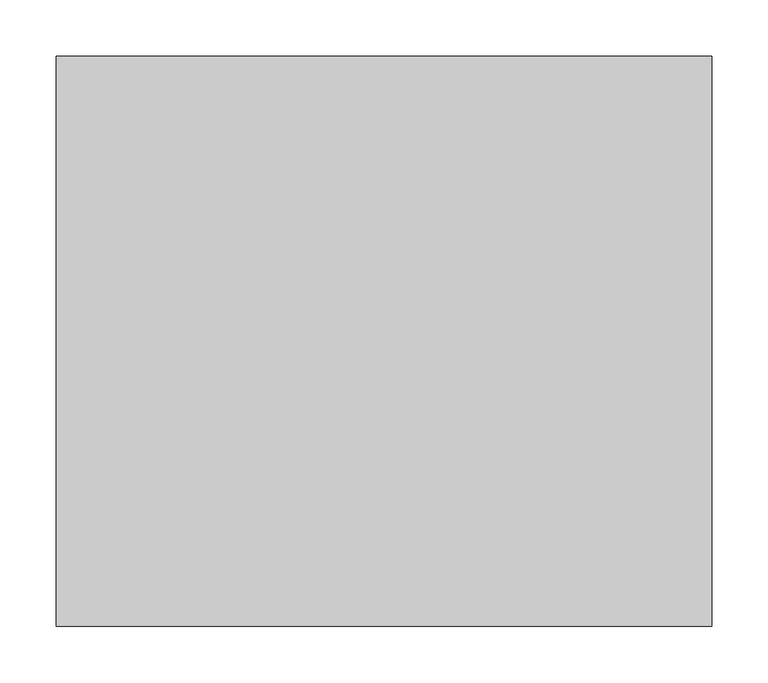
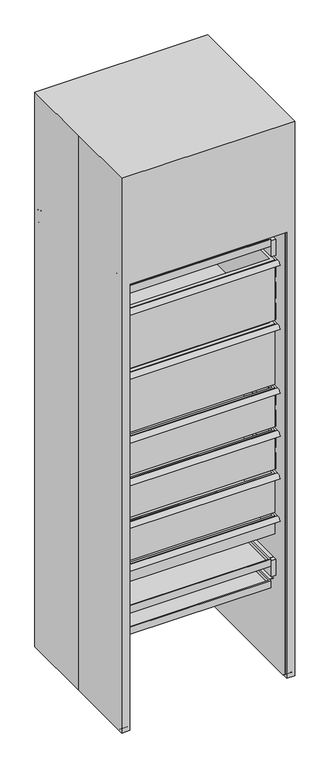
"""IFC4 building model written with IfcOpenShell, lengths in millimetres: proxy geometry."""

from ifc_helpers import new_model, si_unit, frame, origin, place, context, project, spatial, polyline, circle_curve, outline, extrude, faceted_brep, source, transform, mapped, element, save
from ifc_brep_helpers import plane_surface, cylinder_surface, revolved_surface, advanced_brep


def specialty_equipment_cc993e20(model_context):
    return source(origin(), model_context, "Body", "SolidModel", [
        faceted_brep([(-238.125, -194.46875, 311.15), (238.125, -194.46875, 311.15), (238.125, 157.65653, 311.15), (-238.125, 157.65653, 311.15), (-238.125, -194.46875, 323.85), (238.125, -194.46875, 323.85), (238.125, 157.65653, 323.85), (-238.125, 157.65653, 323.85), (242.7689646, 162.71875, 323.85), (-242.7689646, 162.71875, 323.85), (-242.7689646, -199.23125, 323.85), (242.7689646, -199.23125, 323.85), (242.7689646, 162.71875, 298.45), (242.7689646, -199.23125, 298.45), (-242.7689646, -199.23125, 298.45), (-242.7689646, 162.71875, 298.45)], [[[0, 1, 2, 3]], [[1, 0, 4, 5]], [[2, 1, 5, 6]], [[3, 2, 6, 7]], [[0, 3, 7, 4]], [[8, 9, 10, 11], [5, 4, 7, 6]], [[12, 13, 14, 15]], [[9, 8, 12, 15]], [[10, 9, 15, 14]], [[11, 10, 14, 13]], [[8, 11, 13, 12]]]),
        extrude(outline(polyline([(-242.7689646, 140.49375), (-242.7689646, -177.00625), (-263.525, -177.00625), (-263.525, 140.49375), (-242.7689646, 140.49375)])), frame((0.0, 0.0, 311.15), z_axis=(0.0, 0.0, 1.0), x_axis=(1.0, 0.0, 0.0)), (0.0, 0.0, 1.0), 1.6002),
        extrude(outline(polyline([(242.7689646, 140.49375), (263.525, 140.49375), (263.525, -177.00625), (242.7689646, -177.00625), (242.7689646, 140.49375)])), frame((0.0, 0.0, 311.15), z_axis=(0.0, 0.0, 1.0), x_axis=(1.0, 0.0, 0.0)), (0.0, 0.0, 1.0), 1.6002),
        extrude(outline(polyline([(-249.2375, -191.29375), (-265.1125, -191.29375), (-265.1125, 191.29375), (-249.2375, 191.29375), (-249.2375, -191.29375)])), frame((0.0, 0.0, 329.9968), z_axis=(0.0, 0.0, 1.0), x_axis=(1.0, 0.0, 0.0)), (0.0, 0.0, 1.0), 57.3532),
        extrude(outline(polyline([(265.1125, -191.29375), (249.2375, -191.29375), (249.2375, 191.29375), (265.1125, 191.29375), (265.1125, -191.29375)])), frame((0.0, 0.0, 329.9968), z_axis=(0.0, 0.0, 1.0), x_axis=(1.0, 0.0, 0.0)), (0.0, 0.0, 1.0), 57.3532),
        faceted_brep([(-238.125, -194.46875, 387.35), (238.125, -194.46875, 387.35), (238.125, 157.65653, 387.35), (-238.125, 157.65653, 387.35), (-238.125, -194.46875, 400.05), (238.125, -194.46875, 400.05), (238.125, 157.65653, 400.05), (-238.125, 157.65653, 400.05), (242.7689646, 162.71875, 400.05), (-242.7689646, 162.71875, 400.05), (-242.7689646, -199.23125, 400.05), (242.7689646, -199.23125, 400.05), (242.7689646, 162.71875, 374.65), (242.7689646, -199.23125, 374.65), (-242.7689646, -199.23125, 374.65), (-242.7689646, 162.71875, 374.65)], [[[0, 1, 2, 3]], [[1, 0, 4, 5]], [[2, 1, 5, 6]], [[3, 2, 6, 7]], [[0, 3, 7, 4]], [[8, 9, 10, 11], [5, 4, 7, 6]], [[12, 13, 14, 15]], [[9, 8, 12, 15]], [[10, 9, 15, 14]], [[11, 10, 14, 13]], [[8, 11, 13, 12]]]),
        extrude(outline(polyline([(-242.7689646, 140.49375), (-242.7689646, -177.00625), (-263.525, -177.00625), (-263.525, 140.49375), (-242.7689646, 140.49375)])), frame((0.0, 0.0, 387.35), z_axis=(0.0, 0.0, 1.0), x_axis=(1.0, 0.0, 0.0)), (0.0, 0.0, 1.0), 1.6002),
        extrude(outline(polyline([(242.7689646, 140.49375), (263.525, 140.49375), (263.525, -177.00625), (242.7689646, -177.00625), (242.7689646, 140.49375)])), frame((0.0, 0.0, 387.35), z_axis=(0.0, 0.0, 1.0), x_axis=(1.0, 0.0, 0.0)), (0.0, 0.0, 1.0), 1.6002),
        extrude(outline(polyline([(-249.2375, -191.29375), (-265.1125, -191.29375), (-265.1125, 191.29375), (-249.2375, 191.29375), (-249.2375, -191.29375)])), frame((0.0, 0.0, 1472.9968), z_axis=(0.0, 0.0, 1.0), x_axis=(1.0, 0.0, 0.0)), (0.0, 0.0, 1.0), 57.3532),
        extrude(outline(polyline([(265.1125, -191.29375), (249.2375, -191.29375), (249.2375, 191.29375), (265.1125, 191.29375), (265.1125, -191.29375)])), frame((0.0, 0.0, 1472.9968), z_axis=(0.0, 0.0, 1.0), x_axis=(1.0, 0.0, 0.0)), (0.0, 0.0, 1.0), 57.3532),
        faceted_brep([(-250.825, 159.54375, 576.4625955), (250.825, 159.54375, 576.4625955), (250.825, 159.54375, 703.2498), (-250.825, 159.54375, 703.2498), (-250.825, -192.88125, 576.4625955), (-250.825, -192.88125, 703.2498), (250.825, -192.88125, 576.4625955), (250.825, -192.88125, 703.2498), (257.175, 165.89375, 703.2498), (-257.175, 165.89375, 703.2498), (-257.175, -199.23125, 703.2498), (257.175, -199.23125, 703.2498), (257.175, 165.89375, 563.7625955), (257.175, -199.23125, 563.7625955), (-257.175, -199.23125, 563.7625955), (-257.175, 165.89375, 563.7625955)], [[[0, 1, 2, 3]], [[4, 0, 3, 5]], [[6, 4, 5, 7]], [[1, 6, 7, 2]], [[8, 9, 10, 11], [3, 2, 7, 5]], [[12, 13, 14, 15]], [[9, 8, 12, 15]], [[10, 9, 15, 14]], [[11, 10, 14, 13]], [[8, 11, 13, 12]], [[1, 0, 4, 6]]]),
        advanced_brep(
        [(263.525, -218.28125, 692.15), (263.525, -214.8468101, 692.15), (263.525, -203.4902315, 700.0319341), (263.525, -199.23125, 700.0319341), (263.525, -199.23125, 692.15), (263.525, 172.24375, 692.15), (263.525, 172.24375, 703.2498), (263.525, -202.40625, 703.2498), (-263.525, -218.28125, 692.15), (-263.525, -202.40625, 703.2498), (-263.525, 172.24375, 703.2498), (-263.525, 172.24375, 692.15), (-263.525, -199.23125, 692.15), (-263.525, -199.23125, 700.0319341), (-263.525, -203.4902315, 700.0319341), (-263.525, -214.8468101, 692.15), (250.825, 159.54375, 692.15), (-250.825, 159.54375, 692.15), (-250.825, -192.88125, 692.15), (250.825, -192.88125, 692.15), (-250.825, 159.54375, 703.2498), (250.825, 159.54375, 703.2498), (250.825, -192.88125, 703.2498), (-250.825, -192.88125, 703.2498)],
        [
            (0, 1),
            (1, 2, circle_curve(frame((263.525, -202.40625, 686.3476403), z_axis=(-1.0, 0.0, 0.0), x_axis=(0.0, 1.0, 0.0)), 13.7271597)),
            (2, 3),
            (3, 4),
            (4, 5),
            (5, 6),
            (6, 7),
            (7, 0, circle_curve(frame((263.525, -202.40625, 686.3476403), z_axis=(1.0, 0.0, 0.0), x_axis=(0.0, 1.0, 0.0)), 16.9021597)),
            (8, 9, circle_curve(frame((-263.525, -202.40625, 686.3476403), z_axis=(-1.0, 0.0, 0.0), x_axis=(0.0, 1.0, 0.0)), 16.9021597)),
            (9, 10),
            (10, 11),
            (11, 12),
            (12, 13),
            (13, 14),
            (14, 15, circle_curve(frame((-263.525, -202.40625, 686.3476403), z_axis=(1.0, 0.0, 0.0), x_axis=(0.0, 1.0, 0.0)), 13.7271597)),
            (15, 8),
            (0, 8),
            (15, 1),
            (14, 2),
            (13, 3),
            (12, 4),
            (11, 5),
            (16, 17),
            (17, 18),
            (18, 19),
            (19, 16),
            (10, 6),
            (9, 7),
            (20, 21),
            (21, 22),
            (22, 23),
            (23, 20),
            (16, 21),
            (20, 17),
            (23, 18),
            (22, 19),
        ],
        [
            plane_surface(frame((263.525, -218.28125, 692.15), z_axis=(1.0, 0.0, 0.0), x_axis=(0.0, 1.0, 5.8329866029220925e-12))),
            plane_surface(frame((-263.525, -218.28125, 692.15), z_axis=(-1.0, 0.0, 0.0), x_axis=(0.0, -1.0, -5.8329866029220925e-12))),
            plane_surface(frame((263.525, -218.28125, 692.15), z_axis=(0.0, 5.8329866029220925e-12, -1.0), x_axis=(-1.0, 0.0, 0.0))),
            revolved_surface(polyline([(-263.525, -188.6790903, 686.3476403), (263.525, -188.6790903, 686.3476403)]), (-263.525, -202.40625, 686.3476403), (-1.0, 0.0, 0.0)),
            plane_surface(frame((263.525, -203.4902315, 700.0319341), z_axis=(0.0, 3.591351174028165e-12, -1.0), x_axis=(-1.0, 0.0, 0.0))),
            plane_surface(frame((263.525, -199.23125, 700.0319341), z_axis=(0.0, -1.0, 0.0), x_axis=(-1.0, 0.0, 0.0))),
            plane_surface(frame((263.525, -199.23125, 692.15), z_axis=(0.0, 0.0, -1.0), x_axis=(-1.0, 0.0, 0.0))),
            plane_surface(frame((263.525, 172.24375, 692.15), z_axis=(0.0, 1.0, 0.0), x_axis=(-1.0, 0.0, 0.0))),
            plane_surface(frame((263.525, 172.24375, 703.2498), z_axis=(0.0, 0.0, 1.0), x_axis=(-1.0, 0.0, 0.0))),
            cylinder_surface(frame((-263.525, -202.40625, 686.3476403), z_axis=(1.0, 0.0, 0.0), x_axis=(0.0, 1.0, 0.0)), 16.9021597),
            plane_surface(frame((250.825, 159.54375, 703.2498), z_axis=(0.0, -1.0, 0.0), x_axis=(0.0, 0.0, -1.0))),
            plane_surface(frame((-250.825, 159.54375, 703.2498), z_axis=(1.0, 0.0, 0.0), x_axis=(0.0, 0.0, -1.0))),
            plane_surface(frame((-250.825, -192.88125, 703.2498), z_axis=(0.0, 1.0, 0.0), x_axis=(0.0, 0.0, -1.0))),
            plane_surface(frame((250.825, -192.88125, 703.2498), z_axis=(-1.0, 0.0, 0.0), x_axis=(0.0, 0.0, -1.0))),
        ],
        [
            (0, [[1, 2, 3, 4, 5, 6, 7, 8]]),
            (1, [[9, 10, 11, 12, 13, 14, 15, 16]]),
            (2, [[-1, 17, -16, 18]]),
            (3, [[-2, -18, -15, 19]]),
            (4, [[-3, -19, -14, 20]]),
            (5, [[-4, -20, -13, 21]]),
            (6, [[-5, -21, -12, 22], [23, 24, 25, 26]]),
            (7, [[-6, -22, -11, 27]]),
            (8, [[-7, -27, -10, 28], [29, 30, 31, 32]]),
            (9, [[-8, -28, -9, -17]]),
            (10, [[33, -29, 34, -23]]),
            (11, [[-34, -32, 35, -24]]),
            (12, [[-35, -31, 36, -25]]),
            (13, [[-33, -26, -36, -30]]),
        ],
    ),
        extrude(outline(polyline([(-249.2375, -191.29375), (-265.1125, -191.29375), (-265.1125, 191.29375), (-249.2375, 191.29375), (-249.2375, -191.29375)])), frame((0.0, 0.0, 710.9968), z_axis=(0.0, 0.0, 1.0), x_axis=(1.0, 0.0, 0.0)), (0.0, 0.0, 1.0), 57.3532),
        extrude(outline(polyline([(265.1125, -191.29375), (249.2375, -191.29375), (249.2375, 191.29375), (265.1125, 191.29375), (265.1125, -191.29375)])), frame((0.0, 0.0, 710.9968), z_axis=(0.0, 0.0, 1.0), x_axis=(1.0, 0.0, 0.0)), (0.0, 0.0, 1.0), 57.3532),
        extrude(outline(polyline([(-249.2375, -191.29375), (-265.1125, -191.29375), (-265.1125, 191.29375), (-249.2375, 191.29375), (-249.2375, -191.29375)])), frame((0.0, 0.0, 787.1968), z_axis=(0.0, 0.0, 1.0), x_axis=(1.0, 0.0, 0.0)), (0.0, 0.0, 1.0), 57.3532),
        extrude(outline(polyline([(265.1125, -191.29375), (249.2375, -191.29375), (249.2375, 191.29375), (265.1125, 191.29375), (265.1125, -191.29375)])), frame((0.0, 0.0, 787.1968), z_axis=(0.0, 0.0, 1.0), x_axis=(1.0, 0.0, 0.0)), (0.0, 0.0, 1.0), 57.3532),
        faceted_brep([(-250.825, 159.54375, 728.8625955), (250.825, 159.54375, 728.8625955), (250.825, 159.54375, 855.6498), (-250.825, 159.54375, 855.6498), (-250.825, -192.88125, 728.8625955), (-250.825, -192.88125, 855.6498), (250.825, -192.88125, 728.8625955), (250.825, -192.88125, 855.6498), (257.175, 165.89375, 855.6498), (-257.175, 165.89375, 855.6498), (-257.175, -199.23125, 855.6498), (257.175, -199.23125, 855.6498), (257.175, 165.89375, 716.1625955), (257.175, -199.23125, 716.1625955), (-257.175, -199.23125, 716.1625955), (-257.175, 165.89375, 716.1625955)], [[[0, 1, 2, 3]], [[4, 0, 3, 5]], [[6, 4, 5, 7]], [[1, 6, 7, 2]], [[8, 9, 10, 11], [3, 2, 7, 5]], [[12, 13, 14, 15]], [[9, 8, 12, 15]], [[10, 9, 15, 14]], [[11, 10, 14, 13]], [[8, 11, 13, 12]], [[1, 0, 4, 6]]]),
        advanced_brep(
        [(263.525, -218.28125, 844.55), (263.525, -214.8468101, 844.55), (263.525, -203.4902315, 852.4319341), (263.525, -199.23125, 852.4319341), (263.525, -199.23125, 844.55), (263.525, 172.24375, 844.55), (263.525, 172.24375, 855.6498), (263.525, -202.40625, 855.6498), (-263.525, -218.28125, 844.55), (-263.525, -202.40625, 855.6498), (-263.525, 172.24375, 855.6498), (-263.525, 172.24375, 844.55), (-263.525, -199.23125, 844.55), (-263.525, -199.23125, 852.4319341), (-263.525, -203.4902315, 852.4319341), (-263.525, -214.8468101, 844.55), (250.825, 159.54375, 844.55), (-250.825, 159.54375, 844.55), (-250.825, -192.88125, 844.55), (250.825, -192.88125, 844.55), (-250.825, 159.54375, 855.6498), (250.825, 159.54375, 855.6498), (250.825, -192.88125, 855.6498), (-250.825, -192.88125, 855.6498)],
        [
            (0, 1),
            (1, 2, circle_curve(frame((263.525, -202.40625, 838.7476403), z_axis=(-1.0, 0.0, 0.0), x_axis=(0.0, 1.0, 0.0)), 13.7271597)),
            (2, 3),
            (3, 4),
            (4, 5),
            (5, 6),
            (6, 7),
            (7, 0, circle_curve(frame((263.525, -202.40625, 838.7476403), z_axis=(1.0, 0.0, 0.0), x_axis=(0.0, 1.0, 0.0)), 16.9021597)),
            (8, 9, circle_curve(frame((-263.525, -202.40625, 838.7476403), z_axis=(-1.0, 0.0, 0.0), x_axis=(0.0, 1.0, 0.0)), 16.9021597)),
            (9, 10),
            (10, 11),
            (11, 12),
            (12, 13),
            (13, 14),
            (14, 15, circle_curve(frame((-263.525, -202.40625, 838.7476403), z_axis=(1.0, 0.0, 0.0), x_axis=(0.0, 1.0, 0.0)), 13.7271597)),
            (15, 8),
            (0, 8),
            (15, 1),
            (14, 2),
            (13, 3),
            (12, 4),
            (11, 5),
            (16, 17),
            (17, 18),
            (18, 19),
            (19, 16),
            (10, 6),
            (9, 7),
            (20, 21),
            (21, 22),
            (22, 23),
            (23, 20),
            (16, 21),
            (20, 17),
            (23, 18),
            (22, 19),
        ],
        [
            plane_surface(frame((263.525, -218.28125, 844.55), z_axis=(1.0, 0.0, 0.0), x_axis=(0.0, 1.0, 5.8329866029220925e-12))),
            plane_surface(frame((-263.525, -218.28125, 844.55), z_axis=(-1.0, 0.0, 0.0), x_axis=(0.0, -1.0, -5.8329866029220925e-12))),
            plane_surface(frame((263.525, -218.28125, 844.55), z_axis=(0.0, 5.8329866029220925e-12, -1.0), x_axis=(-1.0, 0.0, 0.0))),
            revolved_surface(polyline([(-263.525, -188.6790903, 838.7476403), (263.525, -188.6790903, 838.7476403)]), (-263.525, -202.40625, 838.7476403), (-1.0, 0.0, 0.0)),
            plane_surface(frame((263.525, -203.4902315, 852.4319341), z_axis=(0.0, 3.591351174028165e-12, -1.0), x_axis=(-1.0, 0.0, 0.0))),
            plane_surface(frame((263.525, -199.23125, 852.4319341), z_axis=(0.0, -1.0, 0.0), x_axis=(-1.0, 0.0, 0.0))),
            plane_surface(frame((263.525, -199.23125, 844.55), z_axis=(0.0, 0.0, -1.0), x_axis=(-1.0, 0.0, 0.0))),
            plane_surface(frame((263.525, 172.24375, 844.55), z_axis=(0.0, 1.0, 0.0), x_axis=(-1.0, 0.0, 0.0))),
            plane_surface(frame((263.525, 172.24375, 855.6498), z_axis=(0.0, 0.0, 1.0), x_axis=(-1.0, 0.0, 0.0))),
            cylinder_surface(frame((-263.525, -202.40625, 838.7476403), z_axis=(1.0, 0.0, 0.0), x_axis=(0.0, 1.0, 0.0)), 16.9021597),
            plane_surface(frame((250.825, 159.54375, 855.6498), z_axis=(0.0, -1.0, 0.0), x_axis=(0.0, 0.0, -1.0))),
            plane_surface(frame((-250.825, 159.54375, 855.6498), z_axis=(1.0, 0.0, 0.0), x_axis=(0.0, 0.0, -1.0))),
            plane_surface(frame((-250.825, -192.88125, 855.6498), z_axis=(0.0, 1.0, 0.0), x_axis=(0.0, 0.0, -1.0))),
            plane_surface(frame((250.825, -192.88125, 855.6498), z_axis=(-1.0, 0.0, 0.0), x_axis=(0.0, 0.0, -1.0))),
        ],
        [
            (0, [[1, 2, 3, 4, 5, 6, 7, 8]]),
            (1, [[9, 10, 11, 12, 13, 14, 15, 16]]),
            (2, [[-1, 17, -16, 18]]),
            (3, [[-2, -18, -15, 19]]),
            (4, [[-3, -19, -14, 20]]),
            (5, [[-4, -20, -13, 21]]),
            (6, [[-5, -21, -12, 22], [23, 24, 25, 26]]),
            (7, [[-6, -22, -11, 27]]),
            (8, [[-7, -27, -10, 28], [29, 30, 31, 32]]),
            (9, [[-8, -28, -9, -17]]),
            (10, [[33, -29, 34, -23]]),
            (11, [[-34, -32, 35, -24]]),
            (12, [[-35, -31, 36, -25]]),
            (13, [[-33, -26, -36, -30]]),
        ],
    ),
        extrude(outline(polyline([(-249.2375, -191.29375), (-265.1125, -191.29375), (-265.1125, 191.29375), (-249.2375, 191.29375), (-249.2375, -191.29375)])), frame((0.0, 0.0, 863.3968), z_axis=(0.0, 0.0, 1.0), x_axis=(1.0, 0.0, 0.0)), (0.0, 0.0, 1.0), 57.3532),
        extrude(outline(polyline([(265.1125, -191.29375), (249.2375, -191.29375), (249.2375, 191.29375), (265.1125, 191.29375), (265.1125, -191.29375)])), frame((0.0, 0.0, 863.3968), z_axis=(0.0, 0.0, 1.0), x_axis=(1.0, 0.0, 0.0)), (0.0, 0.0, 1.0), 57.3532),
        extrude(outline(polyline([(-249.2375, -191.29375), (-265.1125, -191.29375), (-265.1125, 191.29375), (-249.2375, 191.29375), (-249.2375, -191.29375)])), frame((0.0, 0.0, 939.5968), z_axis=(0.0, 0.0, 1.0), x_axis=(1.0, 0.0, 0.0)), (0.0, 0.0, 1.0), 57.3532),
        extrude(outline(polyline([(265.1125, -191.29375), (249.2375, -191.29375), (249.2375, 191.29375), (265.1125, 191.29375), (265.1125, -191.29375)])), frame((0.0, 0.0, 939.5968), z_axis=(0.0, 0.0, 1.0), x_axis=(1.0, 0.0, 0.0)), (0.0, 0.0, 1.0), 57.3532),
        faceted_brep([(-244.475, 153.19375, 1033.6625955), (244.475, 153.19375, 1033.6625955), (244.475, 153.19375, 1236.6498), (-244.475, 153.19375, 1236.6498), (-244.475, -186.53125, 1033.6625955), (-244.475, -186.53125, 1236.6498), (244.475, -186.53125, 1033.6625955), (244.475, -186.53125, 1236.6498), (257.175, 165.89375, 1236.6498), (-257.175, 165.89375, 1236.6498), (-257.175, -199.23125, 1236.6498), (257.175, -199.23125, 1236.6498), (257.175, 165.89375, 1020.9625955), (257.175, -199.23125, 1020.9625955), (-257.175, -199.23125, 1020.9625955), (-257.175, 165.89375, 1020.9625955)], [[[0, 1, 2, 3]], [[4, 0, 3, 5]], [[6, 4, 5, 7]], [[1, 6, 7, 2]], [[8, 9, 10, 11], [3, 2, 7, 5]], [[12, 13, 14, 15]], [[9, 8, 12, 15]], [[10, 9, 15, 14]], [[11, 10, 14, 13]], [[8, 11, 13, 12]], [[1, 0, 4, 6]]]),
        advanced_brep(
        [(263.525, -218.28125, 1225.55), (263.525, -214.8468101, 1225.55), (263.525, -203.4902315, 1233.4319341), (263.525, -199.23125, 1233.4319341), (263.525, -199.23125, 1225.55), (263.525, 172.24375, 1225.55), (263.525, 172.24375, 1236.6498), (263.525, -202.40625, 1236.6498), (-263.525, -218.28125, 1225.55), (-263.525, -202.40625, 1236.6498), (-263.525, 172.24375, 1236.6498), (-263.525, 172.24375, 1225.55), (-263.525, -199.23125, 1225.55), (-263.525, -199.23125, 1233.4319341), (-263.525, -203.4902315, 1233.4319341), (-263.525, -214.8468101, 1225.55), (244.475, 153.19375, 1225.55), (-244.475, 153.19375, 1225.55), (-244.475, -186.53125, 1225.55), (244.475, -186.53125, 1225.55), (-244.475, 153.19375, 1236.6498), (244.475, 153.19375, 1236.6498), (244.475, -186.53125, 1236.6498), (-244.475, -186.53125, 1236.6498)],
        [
            (0, 1),
            (1, 2, circle_curve(frame((263.525, -202.40625, 1219.7476403), z_axis=(-1.0, 0.0, 0.0), x_axis=(0.0, 1.0, 0.0)), 13.7271597)),
            (2, 3),
            (3, 4),
            (4, 5),
            (5, 6),
            (6, 7),
            (7, 0, circle_curve(frame((263.525, -202.40625, 1219.7476403), z_axis=(1.0, 0.0, 0.0), x_axis=(0.0, 1.0, 0.0)), 16.9021597)),
            (8, 9, circle_curve(frame((-263.525, -202.40625, 1219.7476403), z_axis=(-1.0, 0.0, 0.0), x_axis=(0.0, 1.0, 0.0)), 16.9021597)),
            (9, 10),
            (10, 11),
            (11, 12),
            (12, 13),
            (13, 14),
            (14, 15, circle_curve(frame((-263.525, -202.40625, 1219.7476403), z_axis=(1.0, 0.0, 0.0), x_axis=(0.0, 1.0, 0.0)), 13.7271597)),
            (15, 8),
            (0, 8),
            (15, 1),
            (14, 2),
            (13, 3),
            (12, 4),
            (11, 5),
            (16, 17),
            (17, 18),
            (18, 19),
            (19, 16),
            (10, 6),
            (9, 7),
            (20, 21),
            (21, 22),
            (22, 23),
            (23, 20),
            (16, 21),
            (20, 17),
            (23, 18),
            (22, 19),
        ],
        [
            plane_surface(frame((263.525, -218.28125, 1225.55), z_axis=(1.0, 0.0, 0.0), x_axis=(0.0, 1.0, 5.438865886509563e-12))),
            plane_surface(frame((-263.525, -218.28125, 1225.55), z_axis=(-1.0, 0.0, 0.0), x_axis=(0.0, -1.0, -5.438865886509563e-12))),
            plane_surface(frame((263.525, -218.28125, 1225.55), z_axis=(0.0, 5.438865886509563e-12, -1.0), x_axis=(-1.0, 0.0, 0.0))),
            revolved_surface(polyline([(-263.525, -188.6790903, 1219.7476403), (263.525, -188.6790903, 1219.7476403)]), (-263.525, -202.40625, 1219.7476403), (-1.0, 0.0, 0.0)),
            plane_surface(frame((263.525, -203.4902315, 1233.4319341), z_axis=(0.0, 3.241750617262996e-12, -1.0), x_axis=(-1.0, 0.0, 0.0))),
            plane_surface(frame((263.525, -199.23125, 1233.4319341), z_axis=(0.0, -1.0, 0.0), x_axis=(-1.0, 0.0, 0.0))),
            plane_surface(frame((263.525, -199.23125, 1225.55), z_axis=(0.0, 0.0, -1.0), x_axis=(-1.0, 0.0, 0.0))),
            plane_surface(frame((263.525, 172.24375, 1225.55), z_axis=(0.0, 1.0, 0.0), x_axis=(-1.0, 0.0, 0.0))),
            plane_surface(frame((263.525, 172.24375, 1236.6498), z_axis=(0.0, 0.0, 1.0), x_axis=(-1.0, 0.0, 0.0))),
            cylinder_surface(frame((-263.525, -202.40625, 1219.7476403), z_axis=(1.0, 0.0, 0.0), x_axis=(0.0, 1.0, 0.0)), 16.9021597),
            plane_surface(frame((244.475, 153.19375, 1236.6498), z_axis=(0.0, -1.0, 0.0), x_axis=(0.0, 0.0, -1.0))),
            plane_surface(frame((-244.475, 153.19375, 1236.6498), z_axis=(1.0, 0.0, 0.0), x_axis=(0.0, 0.0, -1.0))),
            plane_surface(frame((-244.475, -186.53125, 1236.6498), z_axis=(0.0, 1.0, 0.0), x_axis=(0.0, 0.0, -1.0))),
            plane_surface(frame((244.475, -186.53125, 1236.6498), z_axis=(-1.0, 0.0, 0.0), x_axis=(0.0, 0.0, -1.0))),
        ],
        [
            (0, [[1, 2, 3, 4, 5, 6, 7, 8]]),
            (1, [[9, 10, 11, 12, 13, 14, 15, 16]]),
            (2, [[-1, 17, -16, 18]]),
            (3, [[-2, -18, -15, 19]]),
            (4, [[-3, -19, -14, 20]]),
            (5, [[-4, -20, -13, 21]]),
            (6, [[-5, -21, -12, 22], [23, 24, 25, 26]]),
            (7, [[-6, -22, -11, 27]]),
            (8, [[-7, -27, -10, 28], [29, 30, 31, 32]]),
            (9, [[-8, -28, -9, -17]]),
            (10, [[33, -29, 34, -23]]),
            (11, [[-34, -32, 35, -24]]),
            (12, [[-35, -31, 36, -25]]),
            (13, [[-33, -26, -36, -30]]),
        ],
    ),
        extrude(outline(polyline([(-249.2375, -191.29375), (-265.1125, -191.29375), (-265.1125, 191.29375), (-249.2375, 191.29375), (-249.2375, -191.29375)])), frame((0.0, 0.0, 1244.3968), z_axis=(0.0, 0.0, 1.0), x_axis=(1.0, 0.0, 0.0)), (0.0, 0.0, 1.0), 57.3532),
        extrude(outline(polyline([(265.1125, -191.29375), (249.2375, -191.29375), (249.2375, 191.29375), (265.1125, 191.29375), (265.1125, -191.29375)])), frame((0.0, 0.0, 1244.3968), z_axis=(0.0, 0.0, 1.0), x_axis=(1.0, 0.0, 0.0)), (0.0, 0.0, 1.0), 57.3532),
        extrude(outline(polyline([(-249.2375, -191.29375), (-265.1125, -191.29375), (-265.1125, 191.29375), (-249.2375, 191.29375), (-249.2375, -191.29375)])), frame((0.0, 0.0, 1320.5968), z_axis=(0.0, 0.0, 1.0), x_axis=(1.0, 0.0, 0.0)), (0.0, 0.0, 1.0), 57.3532),
        extrude(outline(polyline([(265.1125, -191.29375), (249.2375, -191.29375), (249.2375, 191.29375), (265.1125, 191.29375), (265.1125, -191.29375)])), frame((0.0, 0.0, 1320.5968), z_axis=(0.0, 0.0, 1.0), x_axis=(1.0, 0.0, 0.0)), (0.0, 0.0, 1.0), 57.3532),
        extrude(outline(polyline([(-249.2375, -191.29375), (-265.1125, -191.29375), (-265.1125, 191.29375), (-249.2375, 191.29375), (-249.2375, -191.29375)])), frame((0.0, 0.0, 1396.7968), z_axis=(0.0, 0.0, 1.0), x_axis=(1.0, 0.0, 0.0)), (0.0, 0.0, 1.0), 57.3532),
        extrude(outline(polyline([(265.1125, -191.29375), (249.2375, -191.29375), (249.2375, 191.29375), (265.1125, 191.29375), (265.1125, -191.29375)])), frame((0.0, 0.0, 1396.7968), z_axis=(0.0, 0.0, 1.0), x_axis=(1.0, 0.0, 0.0)), (0.0, 0.0, 1.0), 57.3532),
        advanced_brep(
        [(265.1125, 191.29375, 0.0), (265.1125, 191.29375, 1593.85), (-265.1125, 191.29375, 1593.85), (-265.1125, 191.29375, 0.0), (265.1125, -227.80625, 0.0), (265.1125, -246.85625, 19.05), (265.1125, -246.85625, 1593.85), (-265.1125, -246.85625, 1593.85), (-265.1125, -246.85625, 19.05), (-265.1125, -227.80625, 0.0), (290.5125, -243.6065437, 1620.248234), (290.5125, -246.85625, 1614.9936651), (290.5125, -246.85625, 19.05), (290.5125, -227.80625, 0.0), (290.5125, 238.91875, 0.0), (290.5125, 245.26875, 6.35), (290.5125, 245.26875, 12.7), (290.5125, 238.91875, 19.05), (290.5125, 227.80625, 19.05), (290.5125, 216.69375, 30.1625), (290.5125, 216.69375, 1521.9782764), (290.5125, 235.74375, 1521.9782764), (290.5125, 243.7524573, 1521.9782764), (290.5125, 245.26875, 1533.525), (290.5125, 245.26875, 1558.925), (290.5125, 235.74375, 1571.9168165), (290.5125, 222.9642869, 1576.5681607), (290.5125, 216.69375, 1584.3499764), (290.5125, 216.69375, 1663.4948907), (290.5125, 191.29375, 1688.8948869), (-290.5125, -243.6065437, 1620.248234), (-290.5125, 191.29375, 1688.8948869), (-290.5125, 216.6937462, 1663.4948907), (-290.5125, 216.69375, 1584.3499764), (-290.5125, 222.9642869, 1576.5681607), (-290.5125, 235.74375, 1571.9168165), (-290.5125, 245.26875, 1558.925), (-290.5125, 245.26875, 1533.525), (-290.5125, 243.7524573, 1521.9782764), (-290.5125, 235.74375, 1521.9782764), (-290.5125, 216.69375, 1521.9782764), (-290.5125, 216.69375, 30.1625), (-290.5125, 227.80625, 19.05), (-290.5125, 238.91875, 19.05), (-290.5125, 245.26875, 12.7), (-290.5125, 245.26875, 6.35), (-290.5125, 238.91875, 0.0), (-290.5125, -227.80625, 0.0), (-290.5125, -246.85625, 19.05), (-290.5125, -246.85625, 1614.9936651)],
        [
            (0, 1),
            (1, 2),
            (2, 3),
            (3, 0),
            (0, 4),
            (4, 5, circle_curve(frame((265.1125, -227.80625, 19.05), z_axis=(-1.0, 0.0, 0.0), x_axis=(0.0, 1.0, 0.0)), 19.05)),
            (5, 6),
            (6, 1),
            (6, 7),
            (7, 2),
            (7, 8),
            (8, 9, circle_curve(frame((-265.1125, -227.80625, 19.05), z_axis=(1.0, 0.0, 0.0), x_axis=(0.0, 1.0, 0.0)), 19.05)),
            (9, 3),
            (10, 11, circle_curve(frame((290.5125, -240.9832445, 1614.9936651), z_axis=(1.0, 0.0, 0.0), x_axis=(0.0, 1.0, 0.0)), 5.8730055)),
            (11, 12),
            (12, 13, circle_curve(frame((290.5125, -227.80625, 19.05), z_axis=(1.0, 0.0, 0.0), x_axis=(0.0, 1.0, 0.0)), 19.05)),
            (13, 14),
            (14, 15, circle_curve(frame((290.5125, 238.91875, 6.35), z_axis=(1.0, 0.0, 0.0), x_axis=(0.0, 1.0, 0.0)), 6.35)),
            (15, 16),
            (16, 17, circle_curve(frame((290.5125, 238.91875, 12.7), z_axis=(1.0, 0.0, 0.0), x_axis=(0.0, 1.0, 0.0)), 6.35)),
            (17, 18),
            (18, 19, circle_curve(frame((290.5125, 227.80625, 30.1625), z_axis=(-1.0, 0.0, 0.0), x_axis=(0.0, 1.0, 0.0)), 11.1125)),
            (19, 20),
            (20, 21, circle_curve(frame((290.5125, 226.21875, 1521.9782764), z_axis=(-1.0, 0.0, 0.0), x_axis=(0.0, 1.0, 0.0)), 9.525)),
            (21, 22),
            (22, 23),
            (23, 24),
            (24, 25, circle_curve(frame((290.5125, 231.6460245, 1558.925), z_axis=(1.0, 0.0, 0.0), x_axis=(0.0, 1.0, 0.0)), 13.6227255)),
            (25, 26),
            (26, 27, circle_curve(frame((290.5125, 226.269298, 1585.6486043), z_axis=(-1.0, 0.0, 0.0), x_axis=(0.0, 1.0, 0.0)), 9.6632062)),
            (27, 28),
            (28, 29, circle_curve(frame((290.5125, 191.29375, 1663.4948907), z_axis=(1.0, 0.0, 0.0), x_axis=(0.0, 1.0, 0.0)), 25.3999962)),
            (29, 10, circle_curve(frame((290.5125, 216.6937462, 116.0318932), z_axis=(1.0, 0.0, 0.0), x_axis=(0.0, 1.0, 0.0)), 1573.0680712)),
            (30, 31, circle_curve(frame((-290.5125, 216.6937462, 116.0318932), z_axis=(-1.0, 0.0, 0.0), x_axis=(0.0, 1.0, 0.0)), 1573.0680712)),
            (31, 32, circle_curve(frame((-290.5125, 191.29375, 1663.4948907), z_axis=(-1.0, 0.0, 0.0), x_axis=(0.0, 1.0, 0.0)), 25.3999962)),
            (32, 33),
            (33, 34, circle_curve(frame((-290.5125, 226.269298, 1585.6486043), z_axis=(1.0, 0.0, 0.0), x_axis=(0.0, 1.0, 0.0)), 9.6632062)),
            (34, 35),
            (35, 36, circle_curve(frame((-290.5125, 231.6460245, 1558.925), z_axis=(-1.0, 0.0, 0.0), x_axis=(0.0, 1.0, 0.0)), 13.6227255)),
            (36, 37),
            (37, 38),
            (38, 39),
            (39, 40, circle_curve(frame((-290.5125, 226.21875, 1521.9782764), z_axis=(1.0, 0.0, 0.0), x_axis=(0.0, 1.0, 0.0)), 9.525)),
            (40, 41),
            (41, 42, circle_curve(frame((-290.5125, 227.80625, 30.1625), z_axis=(1.0, 0.0, 0.0), x_axis=(0.0, 1.0, 0.0)), 11.1125)),
            (42, 43),
            (43, 44, circle_curve(frame((-290.5125, 238.91875, 12.7), z_axis=(-1.0, 0.0, 0.0), x_axis=(0.0, 1.0, 0.0)), 6.35)),
            (44, 45),
            (45, 46, circle_curve(frame((-290.5125, 238.91875, 6.35), z_axis=(-1.0, 0.0, 0.0), x_axis=(0.0, 1.0, 0.0)), 6.35)),
            (46, 47),
            (47, 48, circle_curve(frame((-290.5125, -227.80625, 19.05), z_axis=(-1.0, 0.0, 0.0), x_axis=(0.0, 1.0, 0.0)), 19.05)),
            (48, 49),
            (49, 30, circle_curve(frame((-290.5125, -240.9832445, 1614.9936651), z_axis=(-1.0, 0.0, 0.0), x_axis=(0.0, 1.0, 0.0)), 5.8730055)),
            (10, 30),
            (49, 11),
            (48, 8),
            (5, 12),
            (4, 13),
            (47, 9),
            (46, 14),
            (45, 15),
            (44, 16),
            (43, 17),
            (42, 18),
            (41, 19),
            (40, 20),
            (39, 21),
            (38, 22),
            (37, 23),
            (36, 24),
            (35, 25),
            (34, 26),
            (33, 27),
            (32, 28),
            (31, 29),
        ],
        [
            plane_surface(frame((265.1125, 191.29375, 0.0), z_axis=(0.0, -1.0, 0.0), x_axis=(0.0, 0.0, -1.0))),
            plane_surface(frame((265.1125, -254.0, 0.0), z_axis=(-1.0, 0.0, 0.0), x_axis=(0.0, 1.0, 0.0))),
            plane_surface(frame((265.1125, -254.0, 1593.85), z_axis=(0.0, 0.0, -1.0), x_axis=(0.0, 1.0, 0.0))),
            plane_surface(frame((-265.1125, -254.0, 1593.85), z_axis=(1.0, 0.0, 0.0), x_axis=(0.0, 1.0, 0.0))),
            plane_surface(frame((290.5125, -235.1102391, 1614.9936651), z_axis=(1.0, 0.0, 0.0), x_axis=(0.0, 0.0, 1.0))),
            plane_surface(frame((-290.5125, -235.1102391, 1614.9936651), z_axis=(-1.0, 0.0, 0.0), x_axis=(0.0, 0.0, -1.0))),
            cylinder_surface(frame((-290.5125, -240.9832445, 1614.9936651), z_axis=(1.0, 0.0, 0.0), x_axis=(0.0, 1.0, 0.0)), 5.8730055),
            plane_surface(frame((290.5125, -246.85625, 1614.9936651), z_axis=(0.0, -1.0, 0.0), x_axis=(-1.0, 0.0, 0.0))),
            cylinder_surface(frame((-290.5125, -227.80625, 19.05), z_axis=(1.0, 0.0, 0.0), x_axis=(0.0, 1.0, 0.0)), 19.05),
            plane_surface(frame((290.5125, -227.80625, 0.0), z_axis=(0.0, 0.0, -1.0), x_axis=(-1.0, 0.0, 0.0))),
            cylinder_surface(frame((-290.5125, 238.91875, 6.35), z_axis=(1.0, 0.0, 0.0), x_axis=(0.0, 1.0, 0.0)), 6.35),
            plane_surface(frame((290.5125, 245.26875, 6.35), z_axis=(0.0, 1.0, 0.0), x_axis=(-1.0, 0.0, 0.0))),
            cylinder_surface(frame((-290.5125, 238.91875, 12.7), z_axis=(1.0, 0.0, 0.0), x_axis=(0.0, 1.0, 0.0)), 6.35),
            plane_surface(frame((290.5125, 238.91875, 19.05), z_axis=(0.0, 0.0, 1.0), x_axis=(-1.0, 0.0, 0.0))),
            revolved_surface(polyline([(-290.5125, 238.91875000000002, 30.1625), (290.5125, 238.91875000000002, 30.1625)]), (-290.5125, 227.80625, 30.1625), (-1.0, 0.0, 0.0)),
            plane_surface(frame((290.5125, 216.69375, 30.1625), z_axis=(0.0, 1.0, 0.0), x_axis=(-1.0, 0.0, 0.0))),
            revolved_surface(polyline([(-290.5125, 235.74375, 1521.9782764), (290.5125, 235.74375, 1521.9782764)]), (-290.5125, 226.21875, 1521.9782764), (-1.0, 0.0, 0.0)),
            plane_surface(frame((290.5125, 235.74375, 1521.9782764), z_axis=(0.0, 0.0, -1.0), x_axis=(-1.0, 0.0, 0.0))),
            plane_surface(frame((290.5125, 243.7524573, 1521.9782764), z_axis=(0.0, 0.9914877261214967, -0.13020018798152322), x_axis=(-1.0, 0.0, 0.0))),
            plane_surface(frame((290.5125, 245.26875, 1533.525), z_axis=(0.0, 1.0, 0.0), x_axis=(-1.0, 0.0, 0.0))),
            cylinder_surface(frame((-290.5125, 231.6460245, 1558.925), z_axis=(1.0, 0.0, 0.0), x_axis=(0.0, 1.0, 0.0)), 13.6227255),
            plane_surface(frame((290.5125, 235.74375, 1571.9168165), z_axis=(0.0, 0.3420201433259577, 0.9396926207858032), x_axis=(-1.0, 0.0, 0.0))),
            revolved_surface(polyline([(-290.5125, 235.93250419999998, 1585.6486043), (290.5125, 235.93250419999998, 1585.6486043)]), (-290.5125, 226.269298, 1585.6486043), (-1.0, 0.0, 0.0)),
            plane_surface(frame((290.5125, 216.69375, 1584.3499764), z_axis=(0.0, 1.0, 0.0), x_axis=(-1.0, 0.0, 0.0))),
            cylinder_surface(frame((-290.5125, 191.29375, 1663.4948907), z_axis=(1.0, 0.0, 0.0), x_axis=(0.0, 1.0, 0.0)), 25.3999962),
            cylinder_surface(frame((-290.5125, 216.6937462, 116.0318932), z_axis=(1.0, 0.0, 0.0), x_axis=(0.0, 1.0, 0.0)), 1573.0680712),
        ],
        [
            (0, [[1, 2, 3, 4]]),
            (1, [[-1, 5, 6, 7, 8]]),
            (2, [[-2, -8, 9, 10]]),
            (3, [[-3, -10, 11, 12, 13]]),
            (4, [[14, 15, 16, 17, 18, 19, 20, 21, 22, 23, 24, 25, 26, 27, 28, 29, 30, 31, 32, 33]]),
            (5, [[34, 35, 36, 37, 38, 39, 40, 41, 42, 43, 44, 45, 46, 47, 48, 49, 50, 51, 52, 53]]),
            (6, [[-14, 54, -53, 55]]),
            (7, [[-15, -55, -52, 56, -11, -9, -7, 57]]),
            (8, [[-16, -57, -6, 58]]),
            (8, [[-51, 59, -12, -56]]),
            (9, [[-17, -58, -5, -4, -13, -59, -50, 60]]),
            (10, [[-18, -60, -49, 61]]),
            (11, [[-19, -61, -48, 62]]),
            (12, [[-20, -62, -47, 63]]),
            (13, [[-21, -63, -46, 64]]),
            (14, [[-22, -64, -45, 65]]),
            (15, [[-23, -65, -44, 66]]),
            (16, [[-24, -66, -43, 67]]),
            (17, [[-25, -67, -42, 68]]),
            (18, [[-26, -68, -41, 69]]),
            (19, [[-27, -69, -40, 70]]),
            (20, [[-28, -70, -39, 71]]),
            (21, [[-29, -71, -38, 72]]),
            (22, [[-30, -72, -37, 73]]),
            (23, [[-31, -73, -36, 74]]),
            (24, [[-32, -74, -35, 75]]),
            (25, [[-33, -75, -34, -54]]),
        ],
    ),
        faceted_brep([(-292.1, 254.0, 1981.2), (-292.1, 0.0, 1981.2), (-292.1, -254.0, 1981.2), (292.1, -254.0, 1981.2), (292.1, 254.0, 1981.2), (-292.1, 254.0, 0.0), (292.1, 254.0, 0.0), (292.1, -254.0, 0.0), (265.1125, -254.0, 0.0), (265.1125, 191.29375, 0.0), (-265.1125, 191.29375, 0.0), (-265.1125, -254.0, 0.0), (-292.1, -254.0, 0.0), (-292.1, 0.0, 0.0), (-265.1125, -254.0, 1593.85), (265.1125, -254.0, 1593.85), (265.1125, 191.29375, 1593.85), (-265.1125, 191.29375, 1593.85)], [[[0, 1, 2, 3, 4]], [[5, 6, 7, 8, 9, 10, 11, 12, 13]], [[1, 0, 5, 13]], [[2, 1, 13, 12]], [[3, 2, 12, 11, 14, 15, 8, 7]], [[4, 3, 7, 6]], [[0, 4, 6, 5]], [[9, 16, 17, 10]], [[16, 9, 8, 15]], [[17, 16, 15, 14]], [[10, 17, 14, 11]]]),
        faceted_brep([(-250.825, 159.54375, 499.9009719), (250.825, 159.54375, 499.9009719), (250.825, 159.54375, 550.8498), (-250.825, 159.54375, 550.8498), (-250.825, -192.88125, 499.9009719), (-250.825, -192.88125, 550.8498), (250.825, -192.88125, 499.9009719), (250.825, -192.88125, 550.8498), (257.175, 165.89375, 550.8498), (-257.175, 165.89375, 550.8498), (-257.175, -199.23125, 550.8498), (257.175, -199.23125, 550.8498), (257.175, 165.89375, 487.2009719), (257.175, -199.23125, 487.2009719), (-257.175, -199.23125, 487.2009719), (-257.175, 165.89375, 487.2009719)], [[[0, 1, 2, 3]], [[4, 0, 3, 5]], [[6, 4, 5, 7]], [[1, 6, 7, 2]], [[8, 9, 10, 11], [3, 2, 7, 5]], [[12, 13, 14, 15]], [[9, 8, 12, 15]], [[10, 9, 15, 14]], [[11, 10, 14, 13]], [[8, 11, 13, 12]], [[1, 0, 4, 6]]]),
        advanced_brep(
        [(263.525, -218.28125, 539.75), (263.525, -214.8468101, 539.75), (263.525, -203.4902315, 547.6319341), (263.525, -199.23125, 547.6319341), (263.525, -199.23125, 539.75), (263.525, 172.24375, 539.75), (263.525, 172.24375, 550.8498), (263.525, -202.40625, 550.8498), (-263.525, -218.28125, 539.75), (-263.525, -202.40625, 550.8498), (-263.525, 172.24375, 550.8498), (-263.525, 172.24375, 539.75), (-263.525, -199.23125, 539.75), (-263.525, -199.23125, 547.6319341), (-263.525, -203.4902315, 547.6319341), (-263.525, -214.8468101, 539.75), (250.825, 159.54375, 539.75), (-250.825, 159.54375, 539.75), (-250.825, -192.88125, 539.75), (250.825, -192.88125, 539.75), (-250.825, 159.54375, 550.8498), (250.825, 159.54375, 550.8498), (250.825, -192.88125, 550.8498), (-250.825, -192.88125, 550.8498)],
        [
            (0, 1),
            (1, 2, circle_curve(frame((263.525, -202.40625, 533.9476403), z_axis=(-1.0, 0.0, 0.0), x_axis=(0.0, 1.0, 0.0)), 13.7271597)),
            (2, 3),
            (3, 4),
            (4, 5),
            (5, 6),
            (6, 7),
            (7, 0, circle_curve(frame((263.525, -202.40625, 533.9476403), z_axis=(1.0, 0.0, 0.0), x_axis=(0.0, 1.0, 0.0)), 16.9021597)),
            (8, 9, circle_curve(frame((-263.525, -202.40625, 533.9476403), z_axis=(-1.0, 0.0, 0.0), x_axis=(0.0, 1.0, 0.0)), 16.9021597)),
            (9, 10),
            (10, 11),
            (11, 12),
            (12, 13),
            (13, 14),
            (14, 15, circle_curve(frame((-263.525, -202.40625, 533.9476403), z_axis=(1.0, 0.0, 0.0), x_axis=(0.0, 1.0, 0.0)), 13.7271597)),
            (15, 8),
            (0, 8),
            (15, 1),
            (14, 2),
            (13, 3),
            (12, 4),
            (11, 5),
            (16, 17),
            (17, 18),
            (18, 19),
            (19, 16),
            (10, 6),
            (9, 7),
            (20, 21),
            (21, 22),
            (22, 23),
            (23, 20),
            (16, 21),
            (20, 17),
            (23, 18),
            (22, 19),
        ],
        [
            plane_surface(frame((263.525, -218.28125, 539.75), z_axis=(1.0, 0.0, 0.0), x_axis=(0.0, 1.0, 0.0))),
            plane_surface(frame((-263.525, -218.28125, 539.75), z_axis=(-1.0, 0.0, 0.0), x_axis=(0.0, -1.0, 0.0))),
            plane_surface(frame((263.525, -218.28125, 539.75), z_axis=(0.0, 0.0, -1.0), x_axis=(-1.0, 0.0, 0.0))),
            revolved_surface(polyline([(-263.525, -188.6790903, 533.9476403), (263.525, -188.6790903, 533.9476403)]), (-263.525, -202.40625, 533.9476403), (-1.0, 0.0, 0.0)),
            plane_surface(frame((263.525, -203.4902315, 547.6319341), z_axis=(0.0, 1.7003299806239542e-12, -1.0), x_axis=(-1.0, 0.0, 0.0))),
            plane_surface(frame((263.525, -199.23125, 547.6319341), z_axis=(0.0, -1.0, 0.0), x_axis=(-1.0, 0.0, 0.0))),
            plane_surface(frame((263.525, -199.23125, 539.75), z_axis=(0.0, 0.0, -1.0), x_axis=(-1.0, 0.0, 0.0))),
            plane_surface(frame((263.525, 172.24375, 539.75), z_axis=(0.0, 1.0, 0.0), x_axis=(-1.0, 0.0, 0.0))),
            plane_surface(frame((263.525, 172.24375, 550.8498), z_axis=(0.0, 0.0, 1.0), x_axis=(-1.0, 0.0, 0.0))),
            cylinder_surface(frame((-263.525, -202.40625, 533.9476403), z_axis=(1.0, 0.0, 0.0), x_axis=(0.0, 1.0, 0.0)), 16.9021597),
            plane_surface(frame((250.825, 159.54375, 550.8498), z_axis=(0.0, -1.0, 0.0), x_axis=(0.0, 0.0, -1.0))),
            plane_surface(frame((-250.825, 159.54375, 550.8498), z_axis=(1.0, 0.0, 0.0), x_axis=(0.0, 0.0, -1.0))),
            plane_surface(frame((-250.825, -192.88125, 550.8498), z_axis=(0.0, 1.0, 0.0), x_axis=(0.0, 0.0, -1.0))),
            plane_surface(frame((250.825, -192.88125, 550.8498), z_axis=(-1.0, 0.0, 0.0), x_axis=(0.0, 0.0, -1.0))),
        ],
        [
            (0, [[1, 2, 3, 4, 5, 6, 7, 8]]),
            (1, [[9, 10, 11, 12, 13, 14, 15, 16]]),
            (2, [[-1, 17, -16, 18]]),
            (3, [[-2, -18, -15, 19]]),
            (4, [[-3, -19, -14, 20]]),
            (5, [[-4, -20, -13, 21]]),
            (6, [[-5, -21, -12, 22], [23, 24, 25, 26]]),
            (7, [[-6, -22, -11, 27]]),
            (8, [[-7, -27, -10, 28], [29, 30, 31, 32]]),
            (9, [[-8, -28, -9, -17]]),
            (10, [[33, -29, 34, -23]]),
            (11, [[-34, -32, 35, -24]]),
            (12, [[-35, -31, 36, -25]]),
            (13, [[-33, -26, -36, -30]]),
        ],
    ),
        faceted_brep([(-250.825, 159.54375, 881.2625955), (250.825, 159.54375, 881.2625955), (250.825, 159.54375, 1008.0498), (-250.825, 159.54375, 1008.0498), (-250.825, -192.88125, 881.2625955), (-250.825, -192.88125, 1008.0498), (250.825, -192.88125, 881.2625955), (250.825, -192.88125, 1008.0498), (257.175, 165.89375, 1008.0498), (-257.175, 165.89375, 1008.0498), (-257.175, -199.23125, 1008.0498), (257.175, -199.23125, 1008.0498), (257.175, 165.89375, 868.5625955), (257.175, -199.23125, 868.5625955), (-257.175, -199.23125, 868.5625955), (-257.175, 165.89375, 868.5625955)], [[[0, 1, 2, 3]], [[4, 0, 3, 5]], [[6, 4, 5, 7]], [[1, 6, 7, 2]], [[8, 9, 10, 11], [3, 2, 7, 5]], [[12, 13, 14, 15]], [[9, 8, 12, 15]], [[10, 9, 15, 14]], [[11, 10, 14, 13]], [[8, 11, 13, 12]], [[1, 0, 4, 6]]]),
        advanced_brep(
        [(263.525, -218.28125, 996.95), (263.525, -214.8468101, 996.95), (263.525, -203.4902315, 1004.8319341), (263.525, -199.23125, 1004.8319341), (263.525, -199.23125, 996.95), (263.525, 172.24375, 996.95), (263.525, 172.24375, 1008.0498), (263.525, -202.40625, 1008.0498), (-263.525, -218.28125, 996.95), (-263.525, -202.40625, 1008.0498), (-263.525, 172.24375, 1008.0498), (-263.525, 172.24375, 996.95), (-263.525, -199.23125, 996.95), (-263.525, -199.23125, 1004.8319341), (-263.525, -203.4902315, 1004.8319341), (-263.525, -214.8468101, 996.95), (250.825, 159.54375, 996.95), (-250.825, 159.54375, 996.95), (-250.825, -192.88125, 996.95), (250.825, -192.88125, 996.95), (-250.825, 159.54375, 1008.0498), (250.825, 159.54375, 1008.0498), (250.825, -192.88125, 1008.0498), (-250.825, -192.88125, 1008.0498)],
        [
            (0, 1),
            (1, 2, circle_curve(frame((263.525, -202.40625, 991.1476403), z_axis=(-1.0, 0.0, 0.0), x_axis=(0.0, 1.0, 0.0)), 13.7271597)),
            (2, 3),
            (3, 4),
            (4, 5),
            (5, 6),
            (6, 7),
            (7, 0, circle_curve(frame((263.525, -202.40625, 991.1476403), z_axis=(1.0, 0.0, 0.0), x_axis=(0.0, 1.0, 0.0)), 16.9021597)),
            (8, 9, circle_curve(frame((-263.525, -202.40625, 991.1476403), z_axis=(-1.0, 0.0, 0.0), x_axis=(0.0, 1.0, 0.0)), 16.9021597)),
            (9, 10),
            (10, 11),
            (11, 12),
            (12, 13),
            (13, 14),
            (14, 15, circle_curve(frame((-263.525, -202.40625, 991.1476403), z_axis=(1.0, 0.0, 0.0), x_axis=(0.0, 1.0, 0.0)), 13.7271597)),
            (15, 8),
            (0, 8),
            (15, 1),
            (14, 2),
            (13, 3),
            (12, 4),
            (11, 5),
            (16, 17),
            (17, 18),
            (18, 19),
            (19, 16),
            (10, 6),
            (9, 7),
            (20, 21),
            (21, 22),
            (22, 23),
            (23, 20),
            (16, 21),
            (20, 17),
            (23, 18),
            (22, 19),
        ],
        [
            plane_surface(frame((263.525, -218.28125, 996.95), z_axis=(1.0, 0.0, 0.0), x_axis=(0.0, 1.0, 5.8329866029220925e-12))),
            plane_surface(frame((-263.525, -218.28125, 996.95), z_axis=(-1.0, 0.0, 0.0), x_axis=(0.0, -1.0, -5.8329866029220925e-12))),
            plane_surface(frame((263.525, -218.28125, 996.95), z_axis=(0.0, 5.8329866029220925e-12, -1.0), x_axis=(-1.0, 0.0, 0.0))),
            revolved_surface(polyline([(-263.525, -188.6790903, 991.1476403), (263.525, -188.6790903, 991.1476403)]), (-263.525, -202.40625, 991.1476403), (-1.0, 0.0, 0.0)),
            plane_surface(frame((263.525, -203.4902315, 1004.8319341), z_axis=(0.0, 3.591351174028165e-12, -1.0), x_axis=(-1.0, 0.0, 0.0))),
            plane_surface(frame((263.525, -199.23125, 1004.8319341), z_axis=(0.0, -1.0, 0.0), x_axis=(-1.0, 0.0, 0.0))),
            plane_surface(frame((263.525, -199.23125, 996.95), z_axis=(0.0, 0.0, -1.0), x_axis=(-1.0, 0.0, 0.0))),
            plane_surface(frame((263.525, 172.24375, 996.95), z_axis=(0.0, 1.0, 0.0), x_axis=(-1.0, 0.0, 0.0))),
            plane_surface(frame((263.525, 172.24375, 1008.0498), z_axis=(0.0, 0.0, 1.0), x_axis=(-1.0, 0.0, 0.0))),
            cylinder_surface(frame((-263.525, -202.40625, 991.1476403), z_axis=(1.0, 0.0, 0.0), x_axis=(0.0, 1.0, 0.0)), 16.9021597),
            plane_surface(frame((250.825, 159.54375, 1008.0498), z_axis=(0.0, -1.0, 0.0), x_axis=(0.0, 0.0, -1.0))),
            plane_surface(frame((-250.825, 159.54375, 1008.0498), z_axis=(1.0, 0.0, 0.0), x_axis=(0.0, 0.0, -1.0))),
            plane_surface(frame((-250.825, -192.88125, 1008.0498), z_axis=(0.0, 1.0, 0.0), x_axis=(0.0, 0.0, -1.0))),
            plane_surface(frame((250.825, -192.88125, 1008.0498), z_axis=(-1.0, 0.0, 0.0), x_axis=(0.0, 0.0, -1.0))),
        ],
        [
            (0, [[1, 2, 3, 4, 5, 6, 7, 8]]),
            (1, [[9, 10, 11, 12, 13, 14, 15, 16]]),
            (2, [[-1, 17, -16, 18]]),
            (3, [[-2, -18, -15, 19]]),
            (4, [[-3, -19, -14, 20]]),
            (5, [[-4, -20, -13, 21]]),
            (6, [[-5, -21, -12, 22], [23, 24, 25, 26]]),
            (7, [[-6, -22, -11, 27]]),
            (8, [[-7, -27, -10, 28], [29, 30, 31, 32]]),
            (9, [[-8, -28, -9, -17]]),
            (10, [[33, -29, 34, -23]]),
            (11, [[-34, -32, 35, -24]]),
            (12, [[-35, -31, 36, -25]]),
            (13, [[-33, -26, -36, -30]]),
        ],
    ),
        faceted_brep([(-244.475, 153.19375, 1262.2625955), (244.475, 153.19375, 1262.2625955), (244.475, 153.19375, 1465.2498), (-244.475, 153.19375, 1465.2498), (-244.475, -186.53125, 1262.2625955), (-244.475, -186.53125, 1465.2498), (244.475, -186.53125, 1262.2625955), (244.475, -186.53125, 1465.2498), (257.175, 165.89375, 1465.2498), (-257.175, 165.89375, 1465.2498), (-257.175, -199.23125, 1465.2498), (257.175, -199.23125, 1465.2498), (257.175, 165.89375, 1249.5625955), (257.175, -199.23125, 1249.5625955), (-257.175, -199.23125, 1249.5625955), (-257.175, 165.89375, 1249.5625955)], [[[0, 1, 2, 3]], [[4, 0, 3, 5]], [[6, 4, 5, 7]], [[1, 6, 7, 2]], [[8, 9, 10, 11], [3, 2, 7, 5]], [[12, 13, 14, 15]], [[9, 8, 12, 15]], [[10, 9, 15, 14]], [[11, 10, 14, 13]], [[8, 11, 13, 12]], [[1, 0, 4, 6]]]),
        advanced_brep(
        [(263.525, -218.28125, 1454.15), (263.525, -214.8468101, 1454.15), (263.525, -203.4902315, 1462.0319341), (263.525, -199.23125, 1462.0319341), (263.525, -199.23125, 1454.15), (263.525, 172.24375, 1454.15), (263.525, 172.24375, 1465.2498), (263.525, -202.40625, 1465.2498), (-263.525, -218.28125, 1454.15), (-263.525, -202.40625, 1465.2498), (-263.525, 172.24375, 1465.2498), (-263.525, 172.24375, 1454.15), (-263.525, -199.23125, 1454.15), (-263.525, -199.23125, 1462.0319341), (-263.525, -203.4902315, 1462.0319341), (-263.525, -214.8468101, 1454.15), (244.475, 153.19375, 1454.15), (-244.475, 153.19375, 1454.15), (-244.475, -186.53125, 1454.15), (244.475, -186.53125, 1454.15), (-244.475, 153.19375, 1465.2498), (244.475, 153.19375, 1465.2498), (244.475, -186.53125, 1465.2498), (-244.475, -186.53125, 1465.2498)],
        [
            (0, 1),
            (1, 2, circle_curve(frame((263.525, -202.40625, 1448.3476403), z_axis=(-1.0, 0.0, 0.0), x_axis=(0.0, 1.0, 0.0)), 13.7271597)),
            (2, 3),
            (3, 4),
            (4, 5),
            (5, 6),
            (6, 7),
            (7, 0, circle_curve(frame((263.525, -202.40625, 1448.3476403), z_axis=(1.0, 0.0, 0.0), x_axis=(0.0, 1.0, 0.0)), 16.9021597)),
            (8, 9, circle_curve(frame((-263.525, -202.40625, 1448.3476403), z_axis=(-1.0, 0.0, 0.0), x_axis=(0.0, 1.0, 0.0)), 16.9021597)),
            (9, 10),
            (10, 11),
            (11, 12),
            (12, 13),
            (13, 14),
            (14, 15, circle_curve(frame((-263.525, -202.40625, 1448.3476403), z_axis=(1.0, 0.0, 0.0), x_axis=(0.0, 1.0, 0.0)), 13.7271597)),
            (15, 8),
            (0, 8),
            (15, 1),
            (14, 2),
            (13, 3),
            (12, 4),
            (11, 5),
            (16, 17),
            (17, 18),
            (18, 19),
            (19, 16),
            (10, 6),
            (9, 7),
            (20, 21),
            (21, 22),
            (22, 23),
            (23, 20),
            (16, 21),
            (20, 17),
            (23, 18),
            (22, 19),
        ],
        [
            plane_surface(frame((263.525, -218.28125, 1454.15), z_axis=(1.0, 0.0, 0.0), x_axis=(0.0, 1.0, 5.438865886509563e-12))),
            plane_surface(frame((-263.525, -218.28125, 1454.15), z_axis=(-1.0, 0.0, 0.0), x_axis=(0.0, -1.0, -5.438865886509563e-12))),
            plane_surface(frame((263.525, -218.28125, 1454.15), z_axis=(0.0, 5.438865886509563e-12, -1.0), x_axis=(-1.0, 0.0, 0.0))),
            revolved_surface(polyline([(-263.525, -188.6790903, 1448.3476403), (263.525, -188.6790903, 1448.3476403)]), (-263.525, -202.40625, 1448.3476403), (-1.0, 0.0, 0.0)),
            plane_surface(frame((263.525, -203.4902315, 1462.0319341), z_axis=(0.0, 3.241750617262996e-12, -1.0), x_axis=(-1.0, 0.0, 0.0))),
            plane_surface(frame((263.525, -199.23125, 1462.0319341), z_axis=(0.0, -1.0, 0.0), x_axis=(-1.0, 0.0, 0.0))),
            plane_surface(frame((263.525, -199.23125, 1454.15), z_axis=(0.0, 0.0, -1.0), x_axis=(-1.0, 0.0, 0.0))),
            plane_surface(frame((263.525, 172.24375, 1454.15), z_axis=(0.0, 1.0, 0.0), x_axis=(-1.0, 0.0, 0.0))),
            plane_surface(frame((263.525, 172.24375, 1465.2498), z_axis=(0.0, 0.0, 1.0), x_axis=(-1.0, 0.0, 0.0))),
            cylinder_surface(frame((-263.525, -202.40625, 1448.3476403), z_axis=(1.0, 0.0, 0.0), x_axis=(0.0, 1.0, 0.0)), 16.9021597),
            plane_surface(frame((244.475, 153.19375, 1465.2498), z_axis=(0.0, -1.0, 0.0), x_axis=(0.0, 0.0, -1.0))),
            plane_surface(frame((-244.475, 153.19375, 1465.2498), z_axis=(1.0, 0.0, 0.0), x_axis=(0.0, 0.0, -1.0))),
            plane_surface(frame((-244.475, -186.53125, 1465.2498), z_axis=(0.0, 1.0, 0.0), x_axis=(0.0, 0.0, -1.0))),
            plane_surface(frame((244.475, -186.53125, 1465.2498), z_axis=(-1.0, 0.0, 0.0), x_axis=(0.0, 0.0, -1.0))),
        ],
        [
            (0, [[1, 2, 3, 4, 5, 6, 7, 8]]),
            (1, [[9, 10, 11, 12, 13, 14, 15, 16]]),
            (2, [[-1, 17, -16, 18]]),
            (3, [[-2, -18, -15, 19]]),
            (4, [[-3, -19, -14, 20]]),
            (5, [[-4, -20, -13, 21]]),
            (6, [[-5, -21, -12, 22], [23, 24, 25, 26]]),
            (7, [[-6, -22, -11, 27]]),
            (8, [[-7, -27, -10, 28], [29, 30, 31, 32]]),
            (9, [[-8, -28, -9, -17]]),
            (10, [[33, -29, 34, -23]]),
            (11, [[-34, -32, 35, -24]]),
            (12, [[-35, -31, 36, -25]]),
            (13, [[-33, -26, -36, -30]]),
        ],
    ),
        faceted_brep([(-238.125, -194.46875, 1530.35), (238.125, -194.46875, 1530.35), (238.125, 157.65653, 1530.35), (-238.125, 157.65653, 1530.35), (-238.125, -194.46875, 1543.05), (238.125, -194.46875, 1543.05), (238.125, 157.65653, 1543.05), (-238.125, 157.65653, 1543.05), (242.7689646, 162.71875, 1543.05), (-242.7689646, 162.71875, 1543.05), (-242.7689646, -199.23125, 1543.05), (242.7689646, -199.23125, 1543.05), (242.7689646, 162.71875, 1517.65), (242.7689646, -199.23125, 1517.65), (-242.7689646, -199.23125, 1517.65), (-242.7689646, 162.71875, 1517.65)], [[[0, 1, 2, 3]], [[1, 0, 4, 5]], [[2, 1, 5, 6]], [[3, 2, 6, 7]], [[0, 3, 7, 4]], [[8, 9, 10, 11], [5, 4, 7, 6]], [[12, 13, 14, 15]], [[9, 8, 12, 15]], [[10, 9, 15, 14]], [[11, 10, 14, 13]], [[8, 11, 13, 12]]]),
    ])


if __name__ == "__main__":
    model = new_model("IFC4")
    model_context = context("Model", 3, world=origin())
    ifc_project = project(units=[si_unit("LENGTHUNIT", "METRE", prefix="MILLI")], contexts=[model_context])
    site = spatial("IfcSite", under=ifc_project)
    building = spatial("IfcBuilding", under=site)
    placement = place(None, origin())
    specialty_equipment_shape = specialty_equipment_cc993e20(model_context)
    element("IfcBuildingElementProxy", 1, Name="Specialty Equipment", at=placement, inside=building, context=model_context, shape_type="MappedRepresentation", body=[
        mapped(specialty_equipment_shape, transform((0.0, 0.0, 0.0), x_axis=(1.0, 0.0, 0.0), y_axis=(0.0, 1.0, 0.0), z_axis=(0.0, 0.0, 1.0))),
    ])
    save(model, "model.ifc")
